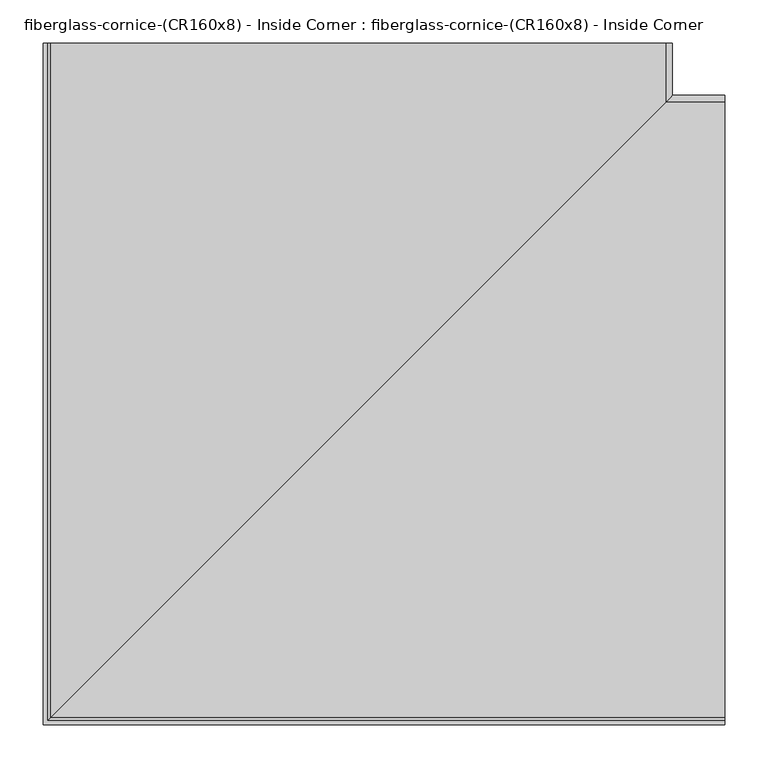
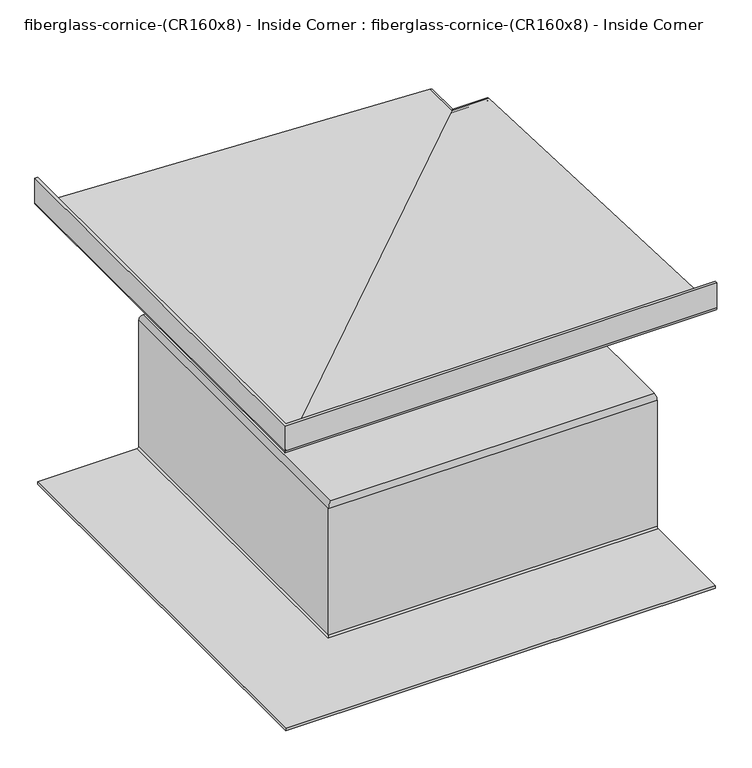
"""IFC4 building model written with IfcOpenShell, lengths in millimetres: furniture geometry, fiberglass-cornice-(CR160x8) - Inside Corner : fiberglass-cornice-(CR160x8) - Inside Corner."""

from ifc_helpers import new_model, si_unit, frame, origin, place, context, project, spatial, polyline, circle_curve, ellipse_curve, source, transform, mapped, element, save
from ifc_brep_helpers import plane_surface, cylinder_surface, revolved_surface, advanced_brep


def fiberglass_cornice_cr160x8_inside_corner_fiberglass_cornice_a308ab02(model_context):
    return source(origin(), model_context, "Body", "AdvancedBrep", [
        advanced_brep(
        [(-388.9380777, 888.603125, 330.1999904), (-388.9380777, 888.603125, 281.8131149), (-385.8952547, 888.603125, 278.7702919), (325.7673647, 888.603125, 249.1170882), (333.3744223, 888.603125, 241.1864628), (333.3744223, 888.603125, 1.0462879), (325.4369223, 888.603125, -6.8912121), (311.3449368, 888.603125, -6.8912121), (308.1699368, 888.603125, -3.7162111), (304.9658486, 888.603125, -0.5121219), (298.500887, 888.603125, -0.5121219), (295.2967986, 888.603125, -3.7162112), (292.1217986, 888.603125, -6.8912121), (-196.7273168, 888.603125, -6.8912121), (-199.9023168, 888.603125, -10.0662121), (-199.9023168, 888.603125, -252.8939472), (-207.8398168, 888.603125, -260.8314472), (-388.9071399, 888.603125, -260.8314472), (-388.9071399, 888.603125, -256.0689472), (-207.8398168, 888.603125, -256.0689472), (-204.6648168, 888.603125, -252.8939472), (-204.6648168, 888.603125, -10.0662097), (-196.7273168, 888.603125, -2.1287097), (287.3592986, 888.603125, -2.1287097), (290.5342986, 888.603125, 1.0462903), (293.7383864, 888.603125, 4.2503781), (309.7574368, 888.603125, 4.2503781), (312.9324368, 888.603125, 1.0462886), (316.1074368, 888.603125, -2.1287108), (325.4369235, 888.603125, -2.1287108), (328.6119223, 888.603125, 1.0462879), (328.6119223, 888.603125, 241.1864694), (325.4338193, 888.603125, 244.3645723), (-387.0216844, 888.603125, 275.2022319), (-393.6999938, 888.603125, 282.1758557), (-393.6999938, 888.603125, 330.1999904), (393.6999938, 105.9650411, 330.1999904), (393.6999938, 101.203125, 330.1999904), (393.6999938, 101.203125, 282.1758557), (393.6999938, 107.8814344, 275.2022319), (393.6999938, 820.3369382, 244.3645723), (393.6999938, 823.5150411, 241.1864694), (393.6999938, 823.5150411, 1.0462879), (393.6999938, 820.3400424, -2.1287108), (393.6999938, 811.0105557, -2.1287108), (393.6999938, 807.8355557, 1.0462886), (393.6999938, 804.6605557, 4.2503781), (393.6999938, 788.6415053, 4.2503781), (393.6999938, 785.4374175, 1.0462903), (393.6999938, 782.2624175, -2.1287097), (393.6999938, 298.175802, -2.1287097), (393.6999938, 290.2383021, -10.0662097), (393.6999938, 290.2383021, -252.8939472), (393.6999938, 287.0633021, -256.0689472), (393.6999938, 105.995979, -256.0689472), (393.6999938, 105.995979, -260.8314472), (393.6999938, 287.0633021, -260.8314472), (393.6999938, 295.0008021, -252.8939472), (393.6999938, 295.0008021, -10.0662121), (393.6999938, 298.175802, -6.8912121), (393.6999938, 787.0249175, -6.8912121), (393.6999938, 790.1999175, -3.7162112), (393.6999938, 793.4040059, -0.5121219), (393.6999938, 799.8689675, -0.5121219), (393.6999938, 803.0730557, -3.7162111), (393.6999938, 806.2480557, -6.8912121), (393.6999938, 820.3400411, -6.8912121), (393.6999938, 828.2775411, 1.0462879), (393.6999938, 828.2775411, 241.1864628), (393.6999938, 820.6704836, 249.1170882), (393.6999938, 109.0078641, 278.7702919), (393.6999938, 105.9650411, 281.8131149), (-388.9380777, 105.9650411, 330.1999904), (-388.9380777, 105.9650411, 281.8131149), (-385.8952547, 109.0078641, 278.7702919), (325.7673647, 820.6704836, 249.1170882), (333.3744223, 828.2775411, 241.1864628), (333.3744223, 828.2775411, 1.0462879), (325.4369223, 820.3400411, -6.8912121), (311.3449368, 806.2480557, -6.8912121), (308.1699368, 803.0730557, -3.7162111), (304.9658486, 799.8689675, -0.5121219), (298.500887, 793.4040059, -0.5121219), (295.2967986, 790.1999175, -3.7162112), (292.1217986, 787.0249175, -6.8912121), (-196.7273168, 298.175802, -6.8912121), (-199.9023168, 295.0008021, -10.0662121), (-199.9023168, 295.0008021, -252.8939472), (-207.8398168, 287.0633021, -260.8314472), (-388.9071399, 105.995979, -260.8314472), (-388.9071399, 105.995979, -256.0689472), (-207.8398168, 287.0633021, -256.0689472), (-204.6648168, 290.2383021, -252.8939472), (-204.6648168, 290.2383021, -10.0662097), (-196.7273168, 298.175802, -2.1287097), (287.3592986, 782.2624175, -2.1287097), (290.5342986, 785.4374175, 1.0462903), (293.7383864, 788.6415053, 4.2503781), (309.7574368, 804.6605557, 4.2503781), (312.9324368, 807.8355557, 1.0462886), (316.1074368, 811.0105557, -2.1287108), (325.4369235, 820.3400424, -2.1287108), (328.6119223, 823.5150411, 1.0462879), (328.6119223, 823.5150411, 241.1864694), (325.4338193, 820.3369382, 244.3645723), (-387.0216844, 107.8814344, 275.2022319), (-393.6999938, 101.203125, 282.1758557), (-393.6999938, 101.203125, 330.1999904)],
        [
            (0, 1),
            (1, 2, circle_curve(frame((-385.8952547, 888.603125, 281.8131149), z_axis=(0.0, -1.0, 0.0), x_axis=(1.0, 0.0, 0.0)), 3.042823)),
            (2, 3),
            (3, 4, circle_curve(frame((325.4369154, 888.603125, 241.1864628), z_axis=(0.0, 1.0, 0.0), x_axis=(1.0, 0.0, 0.0)), 7.9375069)),
            (4, 5),
            (5, 6, circle_curve(frame((325.4369223, 888.603125, 1.0462879), z_axis=(0.0, 1.0, 0.0), x_axis=(1.0, 0.0, 0.0)), 7.9375)),
            (6, 7),
            (7, 8, circle_curve(frame((311.3449368, 888.603125, -3.7162121), z_axis=(0.0, 1.0, 0.0), x_axis=(1.0, 0.0, 0.0)), 3.175)),
            (8, 9, circle_curve(frame((304.9658486, 888.603125, -3.7162102), z_axis=(0.0, -1.0, 0.0), x_axis=(1.0, 0.0, 0.0)), 3.2040882)),
            (9, 10),
            (10, 11, circle_curve(frame((298.500887, 888.603125, -3.7162103), z_axis=(0.0, -1.0, 0.0), x_axis=(1.0, 0.0, 0.0)), 3.2040884)),
            (11, 12, circle_curve(frame((292.1217986, 888.603125, -3.7162121), z_axis=(0.0, 1.0, 0.0), x_axis=(1.0, 0.0, 0.0)), 3.175)),
            (12, 13),
            (13, 14, circle_curve(frame((-196.7273168, 888.603125, -10.0662121), z_axis=(0.0, -1.0, 0.0), x_axis=(1.0, 0.0, 0.0)), 3.175)),
            (14, 15),
            (15, 16, circle_curve(frame((-207.8398168, 888.603125, -252.8939472), z_axis=(0.0, 1.0, 0.0), x_axis=(1.0, 0.0, 0.0)), 7.9375)),
            (16, 17),
            (17, 18),
            (18, 19),
            (19, 20, circle_curve(frame((-207.8398168, 888.603125, -252.8939472), z_axis=(0.0, -1.0, 0.0), x_axis=(1.0, 0.0, 0.0)), 3.175)),
            (20, 21),
            (21, 22, circle_curve(frame((-196.7273168, 888.603125, -10.0662097), z_axis=(0.0, 1.0, 0.0), x_axis=(1.0, 0.0, 0.0)), 7.9374999)),
            (22, 23),
            (23, 24, circle_curve(frame((287.3592986, 888.603125, 1.0462903), z_axis=(0.0, -1.0, 0.0), x_axis=(1.0, 0.0, 0.0)), 3.175)),
            (24, 25, circle_curve(frame((293.7383864, 888.603125, 1.0462903), z_axis=(0.0, 1.0, 0.0), x_axis=(1.0, 0.0, 0.0)), 3.2040878)),
            (25, 26),
            (26, 27, circle_curve(frame((309.7574368, 888.603125, 1.075246), z_axis=(0.0, 1.0, 0.0), x_axis=(1.0, 0.0, 0.0)), 3.175132)),
            (27, 28, circle_curve(frame((316.1074368, 888.603125, 1.0462892), z_axis=(0.0, -1.0, 0.0), x_axis=(1.0, 0.0, 0.0)), 3.175)),
            (28, 29),
            (29, 30, circle_curve(frame((325.4369235, 888.603125, 1.0462879), z_axis=(0.0, -1.0, 0.0), x_axis=(1.0, 0.0, 0.0)), 3.1749987)),
            (30, 31),
            (31, 32, circle_curve(frame((325.4338193, 888.603125, 241.1864694), z_axis=(0.0, -1.0, 0.0), x_axis=(1.0, 0.0, 0.0)), 3.1781029)),
            (32, 33),
            (33, 34, circle_curve(frame((-386.7198407, 888.603125, 282.1758557), z_axis=(0.0, 1.0, 0.0), x_axis=(1.0, 0.0, 0.0)), 6.9801532)),
            (34, 35),
            (35, 0),
            (36, 37),
            (37, 38),
            (38, 39, circle_curve(frame((393.6999938, 108.1832782, 282.1758557), z_axis=(1.0, 0.0, 0.0), x_axis=(0.0, 1.0, 0.0)), 6.9801532)),
            (39, 40),
            (40, 41, circle_curve(frame((393.6999938, 820.3369382, 241.1864694), z_axis=(-1.0, 0.0, 0.0), x_axis=(0.0, 1.0, 0.0)), 3.1781029)),
            (41, 42),
            (42, 43, circle_curve(frame((393.6999938, 820.3400424, 1.0462879), z_axis=(-1.0, 0.0, 0.0), x_axis=(0.0, 1.0, 0.0)), 3.1749987)),
            (43, 44),
            (44, 45, circle_curve(frame((393.6999938, 811.0105557, 1.0462892), z_axis=(-1.0, 0.0, 0.0), x_axis=(0.0, 1.0, 0.0)), 3.175)),
            (45, 46, circle_curve(frame((393.6999938, 804.6605557, 1.075246), z_axis=(1.0, 0.0, 0.0), x_axis=(0.0, 1.0, 0.0)), 3.175132)),
            (46, 47),
            (47, 48, circle_curve(frame((393.6999938, 788.6415053, 1.0462903), z_axis=(1.0, 0.0, 0.0), x_axis=(0.0, 1.0, 0.0)), 3.2040878)),
            (48, 49, circle_curve(frame((393.6999938, 782.2624175, 1.0462903), z_axis=(-1.0, 0.0, 0.0), x_axis=(0.0, 1.0, 0.0)), 3.175)),
            (49, 50),
            (50, 51, circle_curve(frame((393.6999938, 298.175802, -10.0662097), z_axis=(1.0, 0.0, 0.0), x_axis=(0.0, 1.0, 0.0)), 7.9374999)),
            (51, 52),
            (52, 53, circle_curve(frame((393.6999938, 287.0633021, -252.8939472), z_axis=(-1.0, 0.0, 0.0), x_axis=(0.0, 1.0, 0.0)), 3.175)),
            (53, 54),
            (54, 55),
            (55, 56),
            (56, 57, circle_curve(frame((393.6999938, 287.0633021, -252.8939472), z_axis=(1.0, 0.0, 0.0), x_axis=(0.0, 1.0, 0.0)), 7.9375)),
            (57, 58),
            (58, 59, circle_curve(frame((393.6999938, 298.175802, -10.0662121), z_axis=(-1.0, 0.0, 0.0), x_axis=(0.0, 1.0, 0.0)), 3.175)),
            (59, 60),
            (60, 61, circle_curve(frame((393.6999938, 787.0249175, -3.7162121), z_axis=(1.0, 0.0, 0.0), x_axis=(0.0, 1.0, 0.0)), 3.175)),
            (61, 62, circle_curve(frame((393.6999938, 793.4040059, -3.7162103), z_axis=(-1.0, 0.0, 0.0), x_axis=(0.0, 1.0, 0.0)), 3.2040884)),
            (62, 63),
            (63, 64, circle_curve(frame((393.6999938, 799.8689675, -3.7162102), z_axis=(-1.0, 0.0, 0.0), x_axis=(0.0, 1.0, 0.0)), 3.2040882)),
            (64, 65, circle_curve(frame((393.6999938, 806.2480557, -3.7162121), z_axis=(1.0, 0.0, 0.0), x_axis=(0.0, 1.0, 0.0)), 3.175)),
            (65, 66),
            (66, 67, circle_curve(frame((393.6999938, 820.3400411, 1.0462879), z_axis=(1.0, 0.0, 0.0), x_axis=(0.0, 1.0, 0.0)), 7.9375)),
            (67, 68),
            (68, 69, circle_curve(frame((393.6999938, 820.3400342, 241.1864628), z_axis=(1.0, 0.0, 0.0), x_axis=(0.0, 1.0, 0.0)), 7.9375069)),
            (69, 70),
            (70, 71, circle_curve(frame((393.6999938, 109.0078641, 281.8131149), z_axis=(-1.0, 0.0, 0.0), x_axis=(0.0, 1.0, 0.0)), 3.042823)),
            (71, 36),
            (0, 72),
            (72, 73),
            (73, 1),
            (73, 74, ellipse_curve(frame((-385.8952547, 109.0078641, 281.8131149), z_axis=(0.7071067811865475, -0.7071067811865475, 0.0), x_axis=(-0.7071067811865474, -0.7071067811865476, 0.0)), 4.3032016, 3.042823)),
            (74, 2),
            (74, 75),
            (75, 3),
            (75, 76, ellipse_curve(frame((325.4369154, 820.3400342, 241.1864628), z_axis=(-0.7071067811865475, 0.7071067811865475, 0.0), x_axis=(0.7071067811865474, 0.7071067811865476, 0.0)), 11.22533, 7.9375069)),
            (76, 4),
            (76, 77),
            (77, 5),
            (77, 78, ellipse_curve(frame((325.4369223, 820.3400411, 1.0462879), z_axis=(-0.7071067811865475, 0.7071067811865475, 0.0), x_axis=(0.7071067811865474, 0.7071067811865476, 0.0)), 11.2253202, 7.9375)),
            (78, 6),
            (78, 66),
            (65, 79),
            (79, 7),
            (79, 80, ellipse_curve(frame((311.3449368, 806.2480557, -3.7162121), z_axis=(-0.7071067811865475, 0.7071067811865475, 0.0), x_axis=(0.7071067811865474, 0.7071067811865476, 0.0)), 4.4901281, 3.175)),
            (80, 8),
            (80, 81, ellipse_curve(frame((304.9658486, 799.8689675, -3.7162102), z_axis=(0.7071067811865475, -0.7071067811865475, 0.0), x_axis=(-0.7071067811865474, -0.7071067811865476, 0.0)), 4.531265, 3.2040882)),
            (81, 9),
            (81, 63),
            (62, 82),
            (82, 10),
            (82, 83, ellipse_curve(frame((298.500887, 793.4040059, -3.7162103), z_axis=(0.7071067811865475, -0.7071067811865475, 0.0), x_axis=(-0.7071067811865474, -0.7071067811865476, 0.0)), 4.5312653, 3.2040884)),
            (83, 11),
            (83, 84, ellipse_curve(frame((292.1217986, 787.0249175, -3.7162121), z_axis=(-0.7071067811865475, 0.7071067811865475, 0.0), x_axis=(0.7071067811865474, 0.7071067811865476, 0.0)), 4.490128, 3.175)),
            (84, 12),
            (84, 60),
            (59, 85),
            (85, 13),
            (85, 86, ellipse_curve(frame((-196.7273168, 298.175802, -10.0662121), z_axis=(0.7071067811865475, -0.7071067811865475, 0.0), x_axis=(-0.7071067811865474, -0.7071067811865476, 0.0)), 4.490128, 3.175)),
            (86, 14),
            (86, 87),
            (87, 15),
            (87, 88, ellipse_curve(frame((-207.8398168, 287.0633021, -252.8939472), z_axis=(-0.7071067811865475, 0.7071067811865475, 0.0), x_axis=(0.7071067811865474, 0.7071067811865476, 0.0)), 11.2253202, 7.9375)),
            (88, 16),
            (88, 56),
            (55, 89),
            (89, 17),
            (89, 90),
            (90, 18),
            (90, 54),
            (53, 91),
            (91, 19),
            (91, 92, ellipse_curve(frame((-207.8398168, 287.0633021, -252.8939472), z_axis=(0.7071067811865475, -0.7071067811865475, 0.0), x_axis=(-0.7071067811865474, -0.7071067811865476, 0.0)), 4.4901281, 3.175)),
            (92, 20),
            (92, 93),
            (93, 21),
            (93, 94, ellipse_curve(frame((-196.7273168, 298.175802, -10.0662097), z_axis=(-0.7071067811865475, 0.7071067811865475, 0.0), x_axis=(0.7071067811865474, 0.7071067811865476, 0.0)), 11.2253201, 7.9374999)),
            (94, 22),
            (94, 50),
            (49, 95),
            (95, 23),
            (95, 96, ellipse_curve(frame((287.3592986, 782.2624175, 1.0462903), z_axis=(0.7071067811865475, -0.7071067811865475, 0.0), x_axis=(-0.7071067811865474, -0.7071067811865476, 0.0)), 4.4901281, 3.175)),
            (96, 24),
            (96, 97, ellipse_curve(frame((293.7383864, 788.6415053, 1.0462903), z_axis=(-0.7071067811865475, 0.7071067811865475, 0.0), x_axis=(0.7071067811865474, 0.7071067811865476, 0.0)), 4.5312645, 3.2040878)),
            (97, 25),
            (97, 47),
            (46, 98),
            (98, 26),
            (98, 99, ellipse_curve(frame((309.7574368, 804.6605557, 1.075246), z_axis=(-0.7071067811865475, 0.7071067811865475, 0.0), x_axis=(0.7071067811865474, 0.7071067811865476, 0.0)), 4.4903148, 3.175132)),
            (99, 27),
            (99, 100, ellipse_curve(frame((316.1074368, 811.0105557, 1.0462892), z_axis=(0.7071067811865475, -0.7071067811865475, 0.0), x_axis=(-0.7071067811865474, -0.7071067811865476, 0.0)), 4.4901281, 3.175)),
            (100, 28),
            (100, 44),
            (43, 101),
            (101, 29),
            (101, 102, ellipse_curve(frame((325.4369235, 820.3400424, 1.0462879), z_axis=(0.7071067811865475, -0.7071067811865475, 0.0), x_axis=(-0.7071067811865474, -0.7071067811865476, 0.0)), 4.4901262, 3.1749987)),
            (102, 30),
            (102, 103),
            (103, 31),
            (103, 104, ellipse_curve(frame((325.4338193, 820.3369382, 241.1864694), z_axis=(0.7071067811865475, -0.7071067811865475, 0.0), x_axis=(-0.7071067811865474, -0.7071067811865476, 0.0)), 4.4945162, 3.1781029)),
            (104, 32),
            (104, 105),
            (105, 33),
            (105, 106, ellipse_curve(frame((-386.7198407, 108.1832782, 282.1758557), z_axis=(-0.7071067811865475, 0.7071067811865475, 0.0), x_axis=(0.7071067811865474, 0.7071067811865476, 0.0)), 9.8714273, 6.9801532)),
            (106, 34),
            (106, 107),
            (107, 35),
            (107, 37),
            (36, 72),
            (71, 73),
            (70, 74),
            (69, 75),
            (68, 76),
            (67, 77),
            (64, 80),
            (61, 83),
            (58, 86),
            (57, 87),
            (52, 92),
            (51, 93),
            (48, 96),
            (45, 99),
            (42, 102),
            (41, 103),
            (40, 104),
            (39, 105),
            (38, 106),
        ],
        [
            plane_surface(frame((-393.6999938, 888.603125, 330.1999904), z_axis=(0.0, 1.0, 0.0), x_axis=(0.0, 0.0, 1.0))),
            plane_surface(frame((393.6999938, 101.203125, 330.1999904), z_axis=(1.0, 0.0, 0.0), x_axis=(0.0, 0.0, 1.0))),
            plane_surface(frame((-388.9380777, 888.603125, 330.1999904), z_axis=(1.0, 0.0, 0.0), x_axis=(0.0, -1.0, 0.0))),
            revolved_surface(polyline([(-382.8524317, 105.9650410678272, 281.8131149), (-382.8524317, 888.603125, 281.8131149)]), (-385.8952547, 888.603125, 281.8131149), (0.0, -1.0, 0.0)),
            plane_surface(frame((-385.8952547, 888.603125, 278.7702919), z_axis=(0.04163137791737768, 0.0, 0.9991330383751208), x_axis=(0.0, -1.0, 0.0))),
            cylinder_surface(frame((325.4369154, 888.603125, 241.1864628), z_axis=(0.0, 1.0, 0.0), x_axis=(1.0, 0.0, 0.0)), 7.9375069),
            plane_surface(frame((333.3744223, 888.603125, 241.1864628), z_axis=(1.0, 0.0, 0.0), x_axis=(0.0, -1.0, 0.0))),
            cylinder_surface(frame((325.4369223, 888.603125, 1.0462879), z_axis=(0.0, 1.0, 0.0), x_axis=(1.0, 0.0, 0.0)), 7.9375),
            plane_surface(frame((325.4369223, 888.603125, -6.8912121), z_axis=(0.0, 0.0, -1.0), x_axis=(0.0, -1.0, 0.0))),
            cylinder_surface(frame((311.3449368, 888.603125, -3.7162121), z_axis=(0.0, 1.0, 0.0), x_axis=(1.0, 0.0, 0.0)), 3.175),
            revolved_surface(polyline([(308.1699368, 796.6648792911468, -3.7162102), (308.1699368, 888.603125, -3.7162102)]), (304.9658486, 888.603125, -3.7162102), (0.0, -1.0, 0.0)),
            plane_surface(frame((304.9658486, 888.603125, -0.5121219), z_axis=(0.0, 0.0, -1.0), x_axis=(0.0, -1.0, 0.0))),
            revolved_surface(polyline([(301.70497539999997, 790.1999174790147, -3.7162103), (301.70497539999997, 888.603125, -3.7162103)]), (298.500887, 888.603125, -3.7162103), (0.0, -1.0, 0.0)),
            cylinder_surface(frame((292.1217986, 888.603125, -3.7162121), z_axis=(0.0, 1.0, 0.0), x_axis=(1.0, 0.0, 0.0)), 3.175),
            plane_surface(frame((292.1217986, 888.603125, -6.8912121), z_axis=(0.0, 0.0, -1.0), x_axis=(0.0, -1.0, 0.0))),
            revolved_surface(polyline([(-193.5523168, 295.00080204280437, -10.0662121), (-193.5523168, 888.603125, -10.0662121)]), (-196.7273168, 888.603125, -10.0662121), (0.0, -1.0, 0.0)),
            plane_surface(frame((-199.9023168, 888.603125, -10.0662121), z_axis=(1.0, 0.0, 0.0), x_axis=(0.0, -1.0, 0.0))),
            cylinder_surface(frame((-207.8398168, 888.603125, -252.8939472), z_axis=(0.0, 1.0, 0.0), x_axis=(1.0, 0.0, 0.0)), 7.9375),
            plane_surface(frame((-207.8398168, 888.603125, -260.8314472), z_axis=(0.0, 0.0, -1.0), x_axis=(0.0, -1.0, 0.0))),
            plane_surface(frame((-388.9071399, 888.603125, -260.8314472), z_axis=(-1.0, 0.0, 0.0), x_axis=(0.0, -1.0, 0.0))),
            plane_surface(frame((-388.9071399, 888.603125, -256.0689472), z_axis=(0.0, 0.0, 1.0), x_axis=(0.0, -1.0, 0.0))),
            revolved_surface(polyline([(-204.66481679999998, 283.88830207209367, -252.8939472), (-204.66481679999998, 888.603125, -252.8939472)]), (-207.8398168, 888.603125, -252.8939472), (0.0, -1.0, 0.0)),
            plane_surface(frame((-204.6648168, 888.603125, -252.8939472), z_axis=(-1.0, 0.0, 0.0), x_axis=(0.0, -1.0, 0.0))),
            cylinder_surface(frame((-196.7273168, 888.603125, -10.0662097), z_axis=(0.0, 1.0, 0.0), x_axis=(1.0, 0.0, 0.0)), 7.9374999),
            plane_surface(frame((-196.7273168, 888.603125, -2.1287097), z_axis=(0.0, 0.0, 1.0), x_axis=(0.0, -1.0, 0.0))),
            revolved_surface(polyline([(290.5342986, 779.0874174720936, 1.0462903), (290.5342986, 888.603125, 1.0462903)]), (287.3592986, 888.603125, 1.0462903), (0.0, -1.0, 0.0)),
            cylinder_surface(frame((293.7383864, 888.603125, 1.0462903), z_axis=(0.0, 1.0, 0.0), x_axis=(1.0, 0.0, 0.0)), 3.2040878),
            plane_surface(frame((293.7383864, 888.603125, 4.2503781), z_axis=(0.0, 0.0, 1.0), x_axis=(0.0, -1.0, 0.0))),
            cylinder_surface(frame((309.7574368, 888.603125, 1.075246), z_axis=(0.0, 1.0, 0.0), x_axis=(1.0, 0.0, 0.0)), 3.175132),
            revolved_surface(polyline([(319.2824368, 807.8355556720937, 1.0462892), (319.2824368, 888.603125, 1.0462892)]), (316.1074368, 888.603125, 1.0462892), (0.0, -1.0, 0.0)),
            plane_surface(frame((316.1074368, 888.603125, -2.1287108), z_axis=(0.0, 0.0, 1.0), x_axis=(0.0, -1.0, 0.0))),
            revolved_surface(polyline([(328.6119222, 817.1650437155967, 1.0462879), (328.6119222, 888.603125, 1.0462879)]), (325.4369235, 888.603125, 1.0462879), (0.0, -1.0, 0.0)),
            plane_surface(frame((328.6119223, 888.603125, 1.0462879), z_axis=(-1.0, 0.0, 0.0), x_axis=(0.0, -1.0, 0.0))),
            revolved_surface(polyline([(328.6119222, 817.1588353168272, 241.1864694), (328.6119222, 888.603125, 241.1864694)]), (325.4338193, 888.603125, 241.1864694), (0.0, -1.0, 0.0)),
            plane_surface(frame((325.4338193, 888.603125, 244.3645723), z_axis=(-0.04324314035746509, 0.0, -0.9990645778987586), x_axis=(0.0, -1.0, 0.0))),
            cylinder_surface(frame((-386.7198407, 888.603125, 282.1758557), z_axis=(0.0, 1.0, 0.0), x_axis=(1.0, 0.0, 0.0)), 6.9801532),
            plane_surface(frame((-393.6999938, 888.603125, 282.1758557), z_axis=(-1.0, 0.0, 0.0), x_axis=(0.0, -1.0, 0.0))),
            plane_surface(frame((-393.6999938, 888.603125, 330.1999904), z_axis=(0.0, 0.0, 1.0), x_axis=(0.0, -1.0, 0.0))),
            plane_surface(frame((-388.9380777, 105.9650411, 330.1999904), z_axis=(0.0, 1.0, 0.0), x_axis=(1.0, 0.0, 0.0))),
            revolved_surface(polyline([(393.6999938, 112.0506871, 281.8131149), (-388.9380777321728, 112.0506871, 281.8131149)]), (-393.6999938, 109.0078641, 281.8131149), (1.0, 0.0, 0.0)),
            plane_surface(frame((-385.8952547, 109.0078641, 278.7702919), z_axis=(0.0, 0.04163137791737768, 0.9991330383751208), x_axis=(1.0, 0.0, 0.0))),
            cylinder_surface(frame((-393.6999938, 820.3400342, 241.1864628), z_axis=(-1.0, 0.0, 0.0), x_axis=(0.0, 1.0, 0.0)), 7.9375069),
            plane_surface(frame((333.3744223, 828.2775411, 241.1864628), z_axis=(0.0, 1.0, 0.0), x_axis=(1.0, 0.0, 0.0))),
            cylinder_surface(frame((-393.6999938, 820.3400411, 1.0462879), z_axis=(-1.0, 0.0, 0.0), x_axis=(0.0, 1.0, 0.0)), 7.9375),
            cylinder_surface(frame((-393.6999938, 806.2480557, -3.7162121), z_axis=(-1.0, 0.0, 0.0), x_axis=(0.0, 1.0, 0.0)), 3.175),
            revolved_surface(polyline([(393.6999938, 803.0730557, -3.7162102), (301.7617603911467, 803.0730557, -3.7162102)]), (-393.6999938, 799.8689675, -3.7162102), (1.0, 0.0, 0.0)),
            revolved_surface(polyline([(393.6999938, 796.6080943000001, -3.7162103), (295.29679857901476, 796.6080943000001, -3.7162103)]), (-393.6999938, 793.4040059, -3.7162103), (1.0, 0.0, 0.0)),
            cylinder_surface(frame((-393.6999938, 787.0249175, -3.7162121), z_axis=(-1.0, 0.0, 0.0), x_axis=(0.0, 1.0, 0.0)), 3.175),
            revolved_surface(polyline([(393.6999938, 301.350802, -10.0662121), (-199.9023168, 301.350802, -10.0662121)]), (-393.6999938, 298.175802, -10.0662121), (1.0, 0.0, 0.0)),
            plane_surface(frame((-199.9023168, 295.0008021, -10.0662121), z_axis=(0.0, 1.0, 0.0), x_axis=(1.0, 0.0, 0.0))),
            cylinder_surface(frame((-393.6999938, 287.0633021, -252.8939472), z_axis=(-1.0, 0.0, 0.0), x_axis=(0.0, 1.0, 0.0)), 7.9375),
            plane_surface(frame((-388.9071399, 105.995979, -260.8314472), z_axis=(0.0, -1.0, 0.0), x_axis=(1.0, 0.0, 0.0))),
            revolved_surface(polyline([(393.6999938, 290.2383021, -252.8939472), (-211.01481682790626, 290.2383021, -252.8939472)]), (-393.6999938, 287.0633021, -252.8939472), (1.0, 0.0, 0.0)),
            plane_surface(frame((-204.6648168, 290.2383021, -252.8939472), z_axis=(0.0, -1.0, 0.0), x_axis=(1.0, 0.0, 0.0))),
            cylinder_surface(frame((-393.6999938, 298.175802, -10.0662097), z_axis=(-1.0, 0.0, 0.0), x_axis=(0.0, 1.0, 0.0)), 7.9374999),
            revolved_surface(polyline([(393.6999938, 785.4374174999999, 1.0462903), (284.18429857209367, 785.4374174999999, 1.0462903)]), (-393.6999938, 782.2624175, 1.0462903), (1.0, 0.0, 0.0)),
            cylinder_surface(frame((-393.6999938, 788.6415053, 1.0462903), z_axis=(-1.0, 0.0, 0.0), x_axis=(0.0, 1.0, 0.0)), 3.2040878),
            cylinder_surface(frame((-393.6999938, 804.6605557, 1.075246), z_axis=(-1.0, 0.0, 0.0), x_axis=(0.0, 1.0, 0.0)), 3.175132),
            revolved_surface(polyline([(393.6999938, 814.1855557, 1.0462892), (312.93243677209375, 814.1855557, 1.0462892)]), (-393.6999938, 811.0105557, 1.0462892), (1.0, 0.0, 0.0)),
            revolved_surface(polyline([(393.6999938, 823.5150411, 1.0462879), (322.2619248155967, 823.5150411, 1.0462879)]), (-393.6999938, 820.3400424, 1.0462879), (1.0, 0.0, 0.0)),
            plane_surface(frame((328.6119223, 823.5150411, 1.0462879), z_axis=(0.0, -1.0, 0.0), x_axis=(1.0, 0.0, 0.0))),
            revolved_surface(polyline([(393.6999938, 823.5150411, 241.1864694), (322.2557164168272, 823.5150411, 241.1864694)]), (-393.6999938, 820.3369382, 241.1864694), (1.0, 0.0, 0.0)),
            plane_surface(frame((325.4338193, 820.3369382, 244.3645723), z_axis=(0.0, -0.04324314035746509, -0.9990645778987586), x_axis=(1.0, 0.0, 0.0))),
            cylinder_surface(frame((-393.6999938, 108.1832782, 282.1758557), z_axis=(-1.0, 0.0, 0.0), x_axis=(0.0, 1.0, 0.0)), 6.9801532),
            plane_surface(frame((-393.6999938, 101.203125, 282.1758557), z_axis=(0.0, -1.0, 0.0), x_axis=(1.0, 0.0, 0.0))),
        ],
        [
            (0, [[1, 2, 3, 4, 5, 6, 7, 8, 9, 10, 11, 12, 13, 14, 15, 16, 17, 18, 19, 20, 21, 22, 23, 24, 25, 26, 27, 28, 29, 30, 31, 32, 33, 34, 35, 36]]),
            (1, [[37, 38, 39, 40, 41, 42, 43, 44, 45, 46, 47, 48, 49, 50, 51, 52, 53, 54, 55, 56, 57, 58, 59, 60, 61, 62, 63, 64, 65, 66, 67, 68, 69, 70, 71, 72]]),
            (2, [[-1, 73, 74, 75]]),
            (3, [[-2, -75, 76, 77]]),
            (4, [[-3, -77, 78, 79]]),
            (5, [[-4, -79, 80, 81]]),
            (6, [[-5, -81, 82, 83]]),
            (7, [[-6, -83, 84, 85]]),
            (8, [[-7, -85, 86, -66, 87, 88]]),
            (9, [[-8, -88, 89, 90]]),
            (10, [[-9, -90, 91, 92]]),
            (11, [[-10, -92, 93, -63, 94, 95]]),
            (12, [[-11, -95, 96, 97]]),
            (13, [[-12, -97, 98, 99]]),
            (14, [[-13, -99, 100, -60, 101, 102]]),
            (15, [[-14, -102, 103, 104]]),
            (16, [[-15, -104, 105, 106]]),
            (17, [[-16, -106, 107, 108]]),
            (18, [[-17, -108, 109, -56, 110, 111]]),
            (19, [[-18, -111, 112, 113]]),
            (20, [[-19, -113, 114, -54, 115, 116]]),
            (21, [[-20, -116, 117, 118]]),
            (22, [[-21, -118, 119, 120]]),
            (23, [[-22, -120, 121, 122]]),
            (24, [[-23, -122, 123, -50, 124, 125]]),
            (25, [[-24, -125, 126, 127]]),
            (26, [[-25, -127, 128, 129]]),
            (27, [[-26, -129, 130, -47, 131, 132]]),
            (28, [[-27, -132, 133, 134]]),
            (29, [[-28, -134, 135, 136]]),
            (30, [[-29, -136, 137, -44, 138, 139]]),
            (31, [[-30, -139, 140, 141]]),
            (32, [[-31, -141, 142, 143]]),
            (33, [[-32, -143, 144, 145]]),
            (34, [[-33, -145, 146, 147]]),
            (35, [[-34, -147, 148, 149]]),
            (36, [[-35, -149, 150, 151]]),
            (37, [[-36, -151, 152, -37, 153, -73]]),
            (38, [[-74, -153, -72, 154]]),
            (39, [[-76, -154, -71, 155]]),
            (40, [[-78, -155, -70, 156]]),
            (41, [[-80, -156, -69, 157]]),
            (42, [[-82, -157, -68, 158]]),
            (43, [[-84, -158, -67, -86]]),
            (44, [[-89, -87, -65, 159]]),
            (45, [[-91, -159, -64, -93]]),
            (46, [[-96, -94, -62, 160]]),
            (47, [[-98, -160, -61, -100]]),
            (48, [[-103, -101, -59, 161]]),
            (49, [[-105, -161, -58, 162]]),
            (50, [[-107, -162, -57, -109]]),
            (51, [[-112, -110, -55, -114]]),
            (52, [[-117, -115, -53, 163]]),
            (53, [[-119, -163, -52, 164]]),
            (54, [[-121, -164, -51, -123]]),
            (55, [[-126, -124, -49, 165]]),
            (56, [[-128, -165, -48, -130]]),
            (57, [[-133, -131, -46, 166]]),
            (58, [[-135, -166, -45, -137]]),
            (59, [[-140, -138, -43, 167]]),
            (60, [[-142, -167, -42, 168]]),
            (61, [[-144, -168, -41, 169]]),
            (62, [[-146, -169, -40, 170]]),
            (63, [[-148, -170, -39, 171]]),
            (64, [[-150, -171, -38, -152]]),
        ],
    ),
    ])


if __name__ == "__main__":
    model = new_model("IFC4")
    model_context = context("Model", 3, world=origin())
    ifc_project = project(units=[si_unit("LENGTHUNIT", "METRE", prefix="MILLI")], contexts=[model_context])
    site = spatial("IfcSite", under=ifc_project)
    building = spatial("IfcBuilding", under=site)
    placement = place(None, origin())
    fiberglass_cornice_cr160x8_inside_corner_fiberglass_cornice_shape = fiberglass_cornice_cr160x8_inside_corner_fiberglass_cornice_a308ab02(model_context)
    element("IfcFurniture", 1, ObjectType="fiberglass-cornice-(CR160x8) - Inside Corner : fiberglass-cornice-(CR160x8) - Inside Corner", at=placement, inside=building, context=model_context, shape_type="MappedRepresentation", body=[
        mapped(fiberglass_cornice_cr160x8_inside_corner_fiberglass_cornice_shape, transform((0.0, 0.0, 0.0), x_axis=(1.0, 0.0, 0.0), y_axis=(0.0, 1.0, 0.0), z_axis=(0.0, 0.0, 1.0))),
    ])
    save(model, "model.ifc")
